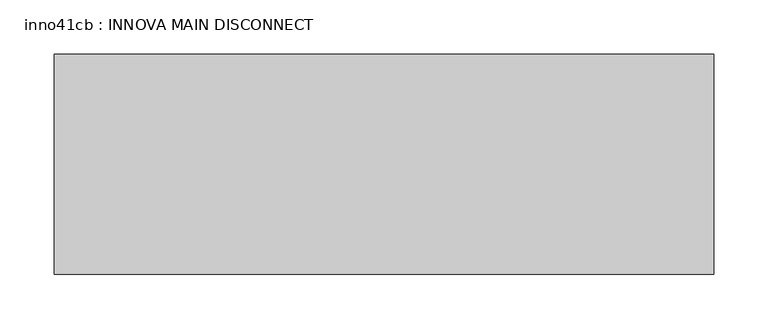
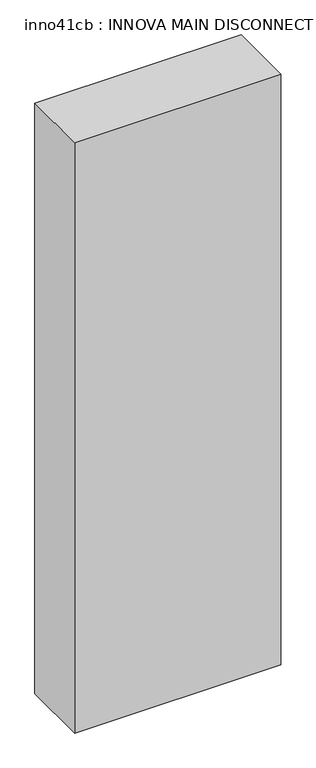
"""IFC4 building model written with IfcOpenShell, lengths in millimetres: proxy geometry, inno41cb : INNOVA MAIN DISCONNECT."""

from ifc_helpers import new_model, si_unit, frame, origin, place, context, project, spatial, polyline, outline, extrude, source, transform, mapped, element, save


def inno41cb_innova_main_disconnect_5e678aea(model_context):
    return source(origin(), model_context, "Body", "SweptSolid", [
        extrude(outline(polyline([(534.9693622, -111.8970561), (-74.6306378, -111.8970561), (-74.6306378, 91.3029439), (534.9693622, 91.3029439), (534.9693622, -111.8970561)])), frame((0.0, 0.0, 500.0112419), z_axis=(0.0, 0.0, 1.0), x_axis=(1.0, 0.0, 0.0)), (0.0, 0.0, 1.0), 1846.072),
    ])


if __name__ == "__main__":
    model = new_model("IFC4")
    model_context = context("Model", 3, world=origin())
    ifc_project = project(units=[si_unit("LENGTHUNIT", "METRE", prefix="MILLI")], contexts=[model_context])
    site = spatial("IfcSite", under=ifc_project)
    building = spatial("IfcBuilding", under=site)
    placement = place(None, origin())
    inno41cb_innova_main_disconnect_shape = inno41cb_innova_main_disconnect_5e678aea(model_context)
    element("IfcBuildingElementProxy", 1, Name="inno41cb : INNOVA MAIN DISCONNECT", ObjectType="inno41cb : INNOVA MAIN DISCONNECT", at=placement, inside=building, context=model_context, shape_type="MappedRepresentation", body=[
        mapped(inno41cb_innova_main_disconnect_shape, transform((0.0, 0.0, 0.0), x_axis=(1.0, 0.0, 0.0), y_axis=(0.0, 1.0, 0.0), z_axis=(0.0, 0.0, 1.0))),
    ])
    save(model, "model.ifc")
